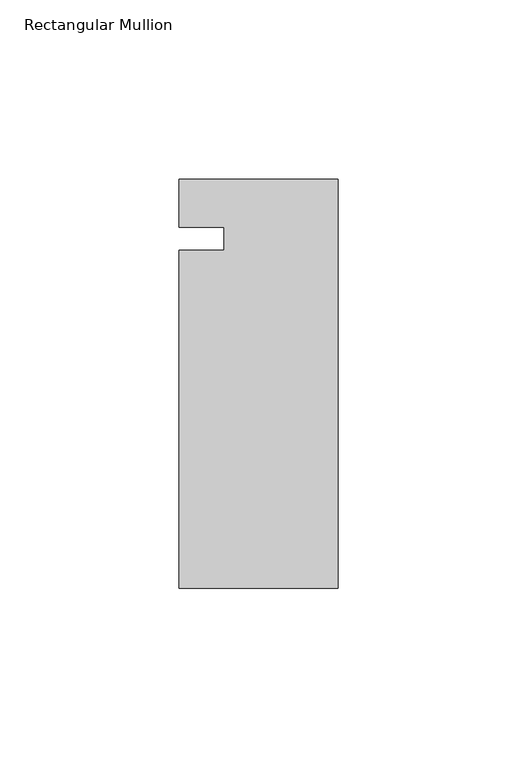
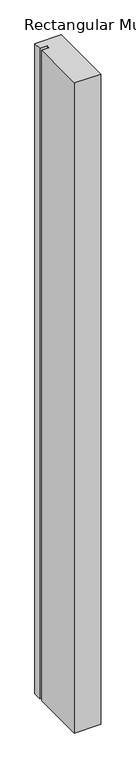
"""IFC4 building model written with IfcOpenShell, lengths in millimetres: member geometry, Rectangular Mullion."""

from ifc_helpers import new_model, si_unit, frame, origin, place, context, project, spatial, polyline, outline, extrude, source, transform, mapped, element, save


def rectangular_mullion_7b334187(model_context):
    return source(origin(), model_context, "Body", "SweptSolid", [
        extrude(outline(polyline([(-44.45, 16.66875), (0.0, 16.66875), (0.0, -97.63125), (-44.45, -97.63125), (-44.45, -3.175), (-31.7482296, -3.175), (-31.7482296, 3.175), (-44.45, 3.175), (-44.45, 16.66875)])), frame((0.0, 0.0, -1152.525), z_axis=(0.0, 0.0, 1.0), x_axis=(1.0, 0.0, 0.0)), (0.0, 0.0, 1.0), 1152.525),
    ])


if __name__ == "__main__":
    model = new_model("IFC4")
    model_context = context("Model", 3, world=origin())
    ifc_project = project(units=[si_unit("LENGTHUNIT", "METRE", prefix="MILLI")], contexts=[model_context])
    site = spatial("IfcSite", under=ifc_project)
    building = spatial("IfcBuilding", under=site)
    placement = place(None, origin())
    rectangular_mullion_shape = rectangular_mullion_7b334187(model_context)
    element("IfcMember", 1, ObjectType="Rectangular Mullion", at=placement, inside=building, context=model_context, shape_type="MappedRepresentation", body=[
        mapped(rectangular_mullion_shape, transform((0.0, 0.0, 0.0), x_axis=(1.0, 0.0, 0.0), y_axis=(0.0, 1.0, 0.0), z_axis=(0.0, 0.0, 1.0))),
    ])
    save(model, "model.ifc")
